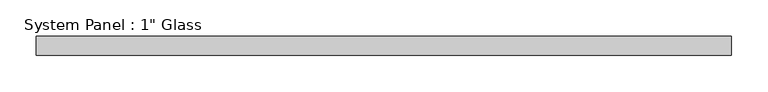
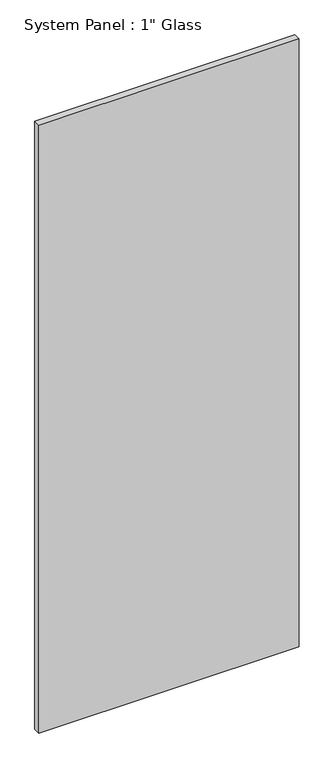
"""IFC4 building model written with IfcOpenShell, lengths in millimetres: plate geometry."""

import ifcopenshell
import ifcopenshell.guid

model = None  # the IFC model being written
_history = None  # IfcOwnerHistory: only IFC2X3 demands one
_inside = {}  # id of a spatial element -> (the spatial element, [elements in it])
_under = {}  # id of a project, library or spatial element -> (it, [spatial elements below it])
_declared = {}  # id of a project -> (the project, [libraries it declares])
_typed = {}  # id of a type object -> (the type object, [elements of that type])
_made_of = {}  # id of a material, layer set ... -> (it, [elements and type objects made of it])


def new_model(schema):
    """Start an empty IFC model of exactly this schema.

    Asked for "IFC4X3", IfcOpenShell would pick the latest addendum, in which some entities
    have other attributes; the version numbers below select the first issue.
    IFC2X3 requires an IfcOwnerHistory on every rooted entity: one is made here for all.
    """
    global model, _history
    if schema == "IFC4X3":
        model = ifcopenshell.file(schema_version=(4, 3, 0, 0))
    else:
        model = ifcopenshell.file(schema=schema)
    _inside.clear()
    _under.clear()
    _declared.clear()
    _typed.clear()
    _made_of.clear()
    _history = None
    if model.schema == "IFC2X3":
        org = make("IfcOrganization", Name="unknown")
        user = make(
            "IfcPersonAndOrganization",
            ThePerson=make("IfcPerson", FamilyName="unknown"),
            TheOrganization=org,
        )
        app = make(
            "IfcApplication",
            ApplicationDeveloper=org,
            Version="unknown",
            ApplicationFullName="unknown",
            ApplicationIdentifier="unknown",
        )
        _history = make(
            "IfcOwnerHistory",
            OwningUser=user,
            OwningApplication=app,
            ChangeAction="ADDED",
            CreationDate=0,
        )
    return model


def make(cls, **values):
    """One entity of the class cls with the attributes given. An attribute that is None is left unset."""
    return model.create_entity(
        cls, **{name: value for name, value in values.items() if value is not None}
    )


def rooted(cls, **values):
    """An entity with a GlobalId (a new one), such as an element, a storey or a relation."""
    return make(cls, GlobalId=ifcopenshell.guid.new(), OwnerHistory=_history, **values)


def si_unit(unit_type, name, prefix=None):
    """IfcSIUnit, for example si_unit("LENGTHUNIT", "METRE", prefix="MILLI")."""
    return make("IfcSIUnit", UnitType=unit_type, Prefix=prefix, Name=name)


def assignment(units):
    """IfcUnitAssignment: the units of a project."""
    return None if units is None else make("IfcUnitAssignment", Units=units)


def point(xyz):
    """IfcCartesianPoint."""
    return None if xyz is None else make("IfcCartesianPoint", Coordinates=xyz)


def direction(xyz):
    """IfcDirection."""
    return None if xyz is None else make("IfcDirection", DirectionRatios=xyz)


def frame(location, z_axis=None, x_axis=None):
    """IfcAxis2Placement3D, a coordinate frame: its origin and axes. An axis left out is left unset."""
    return make(
        "IfcAxis2Placement3D",
        Location=point(location),
        Axis=direction(z_axis),
        RefDirection=direction(x_axis),
    )


def origin():
    """The frame at (0, 0, 0) with its axes left unset."""
    return frame((0.0, 0.0, 0.0))


def origin_with_axes():
    """The frame at (0, 0, 0) with the z axis (0, 0, 1) and the x axis (1, 0, 0) written out."""
    return frame((0.0, 0.0, 0.0), z_axis=(0.0, 0.0, 1.0), x_axis=(1.0, 0.0, 0.0))


def place(relative_to, where):
    """IfcLocalPlacement: puts the frame where relative to a parent placement (None: the world)."""
    return make(
        "IfcLocalPlacement", PlacementRelTo=relative_to, RelativePlacement=where
    )


def context(
    kind, dimensions, precision=None, world=None, true_north=None, identifier=None
):
    """IfcGeometricRepresentationContext, for example the 3D "Model" context."""
    return make(
        "IfcGeometricRepresentationContext",
        ContextIdentifier=identifier,
        ContextType=kind,
        CoordinateSpaceDimension=dimensions,
        Precision=precision,
        WorldCoordinateSystem=world,
        TrueNorth=true_north,
    )


def project(units=None, contexts=None):
    """IfcProject with its units and contexts."""
    return rooted(
        "IfcProject",
        Name="project",
        RepresentationContexts=contexts,
        UnitsInContext=assignment(units),
    )


def spatial(cls, under=None, at=None, **own):
    """A site, building, storey or space (cls), placed at a placement, below another one or the project."""
    s = rooted(cls, ObjectPlacement=at, **own)
    if under is not None:
        _under.setdefault(under.id(), (under, []))[1].append(s)
    return s


def polyline(points):
    """IfcPolyline through the points."""
    return make("IfcPolyline", Points=[point(p) for p in points])


def outline(outer, holes=None, kind="AREA"):
    """IfcArbitraryClosedProfileDef: a profile drawn as a closed curve; with holes, ...WithVoids."""
    if holes is None:
        return make("IfcArbitraryClosedProfileDef", ProfileType=kind, OuterCurve=outer)
    return make(
        "IfcArbitraryProfileDefWithVoids",
        ProfileType=kind,
        OuterCurve=outer,
        InnerCurves=holes,
    )


def extrude(swept, where, along, depth):
    """IfcExtrudedAreaSolid: the profile swept, set in the frame where, extruded along a direction by depth."""
    return make(
        "IfcExtrudedAreaSolid",
        SweptArea=swept,
        Position=where,
        ExtrudedDirection=direction(along),
        Depth=depth,
    )


def shape(context_of_items, identifier, shape_type, items):
    """IfcShapeRepresentation: the items that make up one representation, for example the "Body"."""
    return make(
        "IfcShapeRepresentation",
        ContextOfItems=context_of_items,
        RepresentationIdentifier=identifier,
        RepresentationType=shape_type,
        Items=items,
    )


def source(mapping_origin, context_of_items, identifier, shape_type, items):
    """IfcRepresentationMap: a shape defined once, which mapped items show again and again."""
    return make(
        "IfcRepresentationMap",
        MappingOrigin=mapping_origin,
        MappedRepresentation=shape(context_of_items, identifier, shape_type, items),
    )


def transform(
    local_origin,
    x_axis=None,
    y_axis=None,
    z_axis=None,
    scale=None,
    scale2=None,
    scale3=None,
    uniform=True,
):
    """IfcCartesianTransformationOperator3D, or its non-uniform kind. x_axis, y_axis, z_axis: its Axis1, 2, 3."""
    if uniform:
        return make(
            "IfcCartesianTransformationOperator3D",
            Axis1=direction(x_axis),
            Axis2=direction(y_axis),
            LocalOrigin=point(local_origin),
            Scale=scale,
            Axis3=direction(z_axis),
        )
    return make(
        "IfcCartesianTransformationOperator3DnonUniform",
        Axis1=direction(x_axis),
        Axis2=direction(y_axis),
        LocalOrigin=point(local_origin),
        Scale=scale,
        Axis3=direction(z_axis),
        Scale2=scale2,
        Scale3=scale3,
    )


def mapped(mapping_source, mapping_target):
    """IfcMappedItem: shows the shape of a source again, moved by a transform."""
    return make(
        "IfcMappedItem", MappingSource=mapping_source, MappingTarget=mapping_target
    )


def made_of(thing, what):
    """Note that an element or type object is made of a material, layer set ...; save() writes the relation."""
    if what is not None:
        _made_of.setdefault(what.id(), (what, []))[1].append(thing)
    return thing


def element(
    cls,
    number,
    at=None,
    inside=None,
    cuts=None,
    type_object=None,
    material=None,
    context=None,
    identifier="Body",
    shape_type=None,
    held_by="IfcProductDefinitionShape",
    body=None,
    shapes=None,
    **own,
):
    """One element of the class cls, such as IfcWall. Its Tag is "e" and its number.

    at: its placement. inside: the storey or other place that contains it. cuts: it is an
    opening in that element (IfcRelVoidsElement). A single representation is given by context,
    identifier, shape_type and body (its items); several are given by shapes. held_by: the class
    of the entity that holds the representations. save() writes the other relations.
    """
    e = rooted(cls, Tag="e%d" % number, ObjectPlacement=at, **own)
    if body is not None:
        shapes = [shape(context, identifier, shape_type, body)]
    if shapes is not None:
        e.Representation = make(held_by, Representations=shapes)
    if inside is not None:
        _inside.setdefault(inside.id(), (inside, []))[1].append(e)
    if cuts is not None:
        rooted(
            "IfcRelVoidsElement", RelatingBuildingElement=cuts, RelatedOpeningElement=e
        )
    if type_object is not None:
        _typed.setdefault(type_object.id(), (type_object, []))[1].append(e)
    return made_of(e, material)


def aggregate(whole, parts):
    """IfcRelAggregates: a whole, such as a stair, and the parts it consists of."""
    return rooted("IfcRelAggregates", RelatingObject=whole, RelatedObjects=parts)


def save(model, path):
    """Write the relations noted so far, then the file.

    IfcRelAggregates (storeys below a building ...), IfcRelContainedInSpatialStructure (elements
    in a storey), IfcRelDefinesByType, IfcRelAssociatesMaterial and IfcRelDeclares: one each for
    every whole, place, type object, material and project.
    """
    for whole, parts in _under.values():
        aggregate(whole, parts)
    for where, things in _inside.values():
        rooted(
            "IfcRelContainedInSpatialStructure",
            RelatedElements=things,
            RelatingStructure=where,
        )
    for kind, things in _typed.values():
        rooted("IfcRelDefinesByType", RelatedObjects=things, RelatingType=kind)
    for what, things in _made_of.values():
        rooted("IfcRelAssociatesMaterial", RelatedObjects=things, RelatingMaterial=what)
    for by, libraries in _declared.values():
        rooted("IfcRelDeclares", RelatingContext=by, RelatedDefinitions=libraries)
    model.write(path)


def plate_14cf9b48(model_context):
    return source(origin(), model_context, "Body", "SweptSolid", [
        extrude(outline(polyline([(476.25, -12.7), (-476.25, -12.7), (-476.25, 12.7), (476.25, 12.7), (476.25, -12.7)])), origin_with_axes(), (0.0, 0.0, 1.0), 2352.675),
    ])


if __name__ == "__main__":
    model = new_model("IFC4")
    model_context = context("Model", 3, world=origin())
    ifc_project = project(units=[si_unit("LENGTHUNIT", "METRE", prefix="MILLI")], contexts=[model_context])
    site = spatial("IfcSite", under=ifc_project)
    building = spatial("IfcBuilding", under=site)
    placement = place(None, origin())
    plate_shape = plate_14cf9b48(model_context)
    element("IfcPlate", 1, ObjectType="System Panel : 1\" Glass", at=placement, inside=building, context=model_context, shape_type="MappedRepresentation", body=[
        mapped(plate_shape, transform((0.0, 0.0, 0.0), x_axis=(1.0, 0.0, 0.0), y_axis=(0.0, 1.0, 0.0), z_axis=(0.0, 0.0, 1.0))),
    ])
    save(model, "model.ifc")
